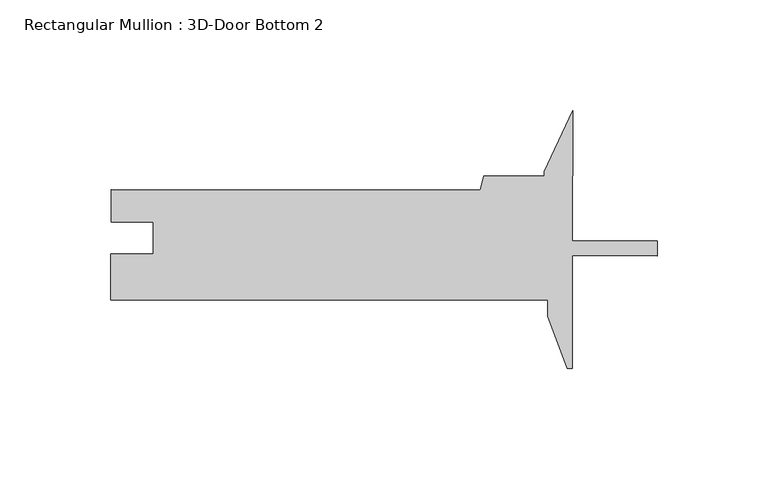
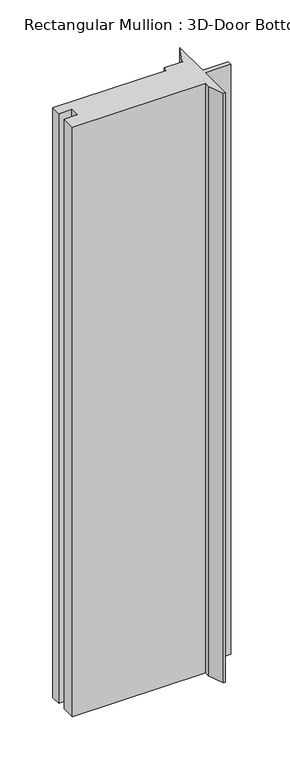
"""IFC4 building model written with IfcOpenShell, lengths in millimetres: member geometry, Rectangular Mullion : 3D-Door Bottom 2."""

import ifcopenshell
import ifcopenshell.guid

model = None  # the IFC model being written
_history = None  # IfcOwnerHistory: only IFC2X3 demands one
_inside = {}  # id of a spatial element -> (the spatial element, [elements in it])
_under = {}  # id of a project, library or spatial element -> (it, [spatial elements below it])
_declared = {}  # id of a project -> (the project, [libraries it declares])
_typed = {}  # id of a type object -> (the type object, [elements of that type])
_made_of = {}  # id of a material, layer set ... -> (it, [elements and type objects made of it])


def new_model(schema):
    """Start an empty IFC model of exactly this schema.

    Asked for "IFC4X3", IfcOpenShell would pick the latest addendum, in which some entities
    have other attributes; the version numbers below select the first issue.
    IFC2X3 requires an IfcOwnerHistory on every rooted entity: one is made here for all.
    """
    global model, _history
    if schema == "IFC4X3":
        model = ifcopenshell.file(schema_version=(4, 3, 0, 0))
    else:
        model = ifcopenshell.file(schema=schema)
    _inside.clear()
    _under.clear()
    _declared.clear()
    _typed.clear()
    _made_of.clear()
    _history = None
    if model.schema == "IFC2X3":
        org = make("IfcOrganization", Name="unknown")
        user = make(
            "IfcPersonAndOrganization",
            ThePerson=make("IfcPerson", FamilyName="unknown"),
            TheOrganization=org,
        )
        app = make(
            "IfcApplication",
            ApplicationDeveloper=org,
            Version="unknown",
            ApplicationFullName="unknown",
            ApplicationIdentifier="unknown",
        )
        _history = make(
            "IfcOwnerHistory",
            OwningUser=user,
            OwningApplication=app,
            ChangeAction="ADDED",
            CreationDate=0,
        )
    return model


def make(cls, **values):
    """One entity of the class cls with the attributes given. An attribute that is None is left unset."""
    return model.create_entity(
        cls, **{name: value for name, value in values.items() if value is not None}
    )


def rooted(cls, **values):
    """An entity with a GlobalId (a new one), such as an element, a storey or a relation."""
    return make(cls, GlobalId=ifcopenshell.guid.new(), OwnerHistory=_history, **values)


def si_unit(unit_type, name, prefix=None):
    """IfcSIUnit, for example si_unit("LENGTHUNIT", "METRE", prefix="MILLI")."""
    return make("IfcSIUnit", UnitType=unit_type, Prefix=prefix, Name=name)


def assignment(units):
    """IfcUnitAssignment: the units of a project."""
    return None if units is None else make("IfcUnitAssignment", Units=units)


def point(xyz):
    """IfcCartesianPoint."""
    return None if xyz is None else make("IfcCartesianPoint", Coordinates=xyz)


def direction(xyz):
    """IfcDirection."""
    return None if xyz is None else make("IfcDirection", DirectionRatios=xyz)


def frame(location, z_axis=None, x_axis=None):
    """IfcAxis2Placement3D, a coordinate frame: its origin and axes. An axis left out is left unset."""
    return make(
        "IfcAxis2Placement3D",
        Location=point(location),
        Axis=direction(z_axis),
        RefDirection=direction(x_axis),
    )


def origin():
    """The frame at (0, 0, 0) with its axes left unset."""
    return frame((0.0, 0.0, 0.0))


def place(relative_to, where):
    """IfcLocalPlacement: puts the frame where relative to a parent placement (None: the world)."""
    return make(
        "IfcLocalPlacement", PlacementRelTo=relative_to, RelativePlacement=where
    )


def context(
    kind, dimensions, precision=None, world=None, true_north=None, identifier=None
):
    """IfcGeometricRepresentationContext, for example the 3D "Model" context."""
    return make(
        "IfcGeometricRepresentationContext",
        ContextIdentifier=identifier,
        ContextType=kind,
        CoordinateSpaceDimension=dimensions,
        Precision=precision,
        WorldCoordinateSystem=world,
        TrueNorth=true_north,
    )


def project(units=None, contexts=None):
    """IfcProject with its units and contexts."""
    return rooted(
        "IfcProject",
        Name="project",
        RepresentationContexts=contexts,
        UnitsInContext=assignment(units),
    )


def spatial(cls, under=None, at=None, **own):
    """A site, building, storey or space (cls), placed at a placement, below another one or the project."""
    s = rooted(cls, ObjectPlacement=at, **own)
    if under is not None:
        _under.setdefault(under.id(), (under, []))[1].append(s)
    return s


def polyline(points):
    """IfcPolyline through the points."""
    return make("IfcPolyline", Points=[point(p) for p in points])


def outline(outer, holes=None, kind="AREA"):
    """IfcArbitraryClosedProfileDef: a profile drawn as a closed curve; with holes, ...WithVoids."""
    if holes is None:
        return make("IfcArbitraryClosedProfileDef", ProfileType=kind, OuterCurve=outer)
    return make(
        "IfcArbitraryProfileDefWithVoids",
        ProfileType=kind,
        OuterCurve=outer,
        InnerCurves=holes,
    )


def extrude(swept, where, along, depth):
    """IfcExtrudedAreaSolid: the profile swept, set in the frame where, extruded along a direction by depth."""
    return make(
        "IfcExtrudedAreaSolid",
        SweptArea=swept,
        Position=where,
        ExtrudedDirection=direction(along),
        Depth=depth,
    )


def shape(context_of_items, identifier, shape_type, items):
    """IfcShapeRepresentation: the items that make up one representation, for example the "Body"."""
    return make(
        "IfcShapeRepresentation",
        ContextOfItems=context_of_items,
        RepresentationIdentifier=identifier,
        RepresentationType=shape_type,
        Items=items,
    )


def source(mapping_origin, context_of_items, identifier, shape_type, items):
    """IfcRepresentationMap: a shape defined once, which mapped items show again and again."""
    return make(
        "IfcRepresentationMap",
        MappingOrigin=mapping_origin,
        MappedRepresentation=shape(context_of_items, identifier, shape_type, items),
    )


def transform(
    local_origin,
    x_axis=None,
    y_axis=None,
    z_axis=None,
    scale=None,
    scale2=None,
    scale3=None,
    uniform=True,
):
    """IfcCartesianTransformationOperator3D, or its non-uniform kind. x_axis, y_axis, z_axis: its Axis1, 2, 3."""
    if uniform:
        return make(
            "IfcCartesianTransformationOperator3D",
            Axis1=direction(x_axis),
            Axis2=direction(y_axis),
            LocalOrigin=point(local_origin),
            Scale=scale,
            Axis3=direction(z_axis),
        )
    return make(
        "IfcCartesianTransformationOperator3DnonUniform",
        Axis1=direction(x_axis),
        Axis2=direction(y_axis),
        LocalOrigin=point(local_origin),
        Scale=scale,
        Axis3=direction(z_axis),
        Scale2=scale2,
        Scale3=scale3,
    )


def mapped(mapping_source, mapping_target):
    """IfcMappedItem: shows the shape of a source again, moved by a transform."""
    return make(
        "IfcMappedItem", MappingSource=mapping_source, MappingTarget=mapping_target
    )


def made_of(thing, what):
    """Note that an element or type object is made of a material, layer set ...; save() writes the relation."""
    if what is not None:
        _made_of.setdefault(what.id(), (what, []))[1].append(thing)
    return thing


def element(
    cls,
    number,
    at=None,
    inside=None,
    cuts=None,
    type_object=None,
    material=None,
    context=None,
    identifier="Body",
    shape_type=None,
    held_by="IfcProductDefinitionShape",
    body=None,
    shapes=None,
    **own,
):
    """One element of the class cls, such as IfcWall. Its Tag is "e" and its number.

    at: its placement. inside: the storey or other place that contains it. cuts: it is an
    opening in that element (IfcRelVoidsElement). A single representation is given by context,
    identifier, shape_type and body (its items); several are given by shapes. held_by: the class
    of the entity that holds the representations. save() writes the other relations.
    """
    e = rooted(cls, Tag="e%d" % number, ObjectPlacement=at, **own)
    if body is not None:
        shapes = [shape(context, identifier, shape_type, body)]
    if shapes is not None:
        e.Representation = make(held_by, Representations=shapes)
    if inside is not None:
        _inside.setdefault(inside.id(), (inside, []))[1].append(e)
    if cuts is not None:
        rooted(
            "IfcRelVoidsElement", RelatingBuildingElement=cuts, RelatedOpeningElement=e
        )
    if type_object is not None:
        _typed.setdefault(type_object.id(), (type_object, []))[1].append(e)
    return made_of(e, material)


def aggregate(whole, parts):
    """IfcRelAggregates: a whole, such as a stair, and the parts it consists of."""
    return rooted("IfcRelAggregates", RelatingObject=whole, RelatedObjects=parts)


def save(model, path):
    """Write the relations noted so far, then the file.

    IfcRelAggregates (storeys below a building ...), IfcRelContainedInSpatialStructure (elements
    in a storey), IfcRelDefinesByType, IfcRelAssociatesMaterial and IfcRelDeclares: one each for
    every whole, place, type object, material and project.
    """
    for whole, parts in _under.values():
        aggregate(whole, parts)
    for where, things in _inside.values():
        rooted(
            "IfcRelContainedInSpatialStructure",
            RelatedElements=things,
            RelatingStructure=where,
        )
    for kind, things in _typed.values():
        rooted("IfcRelDefinesByType", RelatedObjects=things, RelatingType=kind)
    for what, things in _made_of.values():
        rooted("IfcRelAssociatesMaterial", RelatedObjects=things, RelatingMaterial=what)
    for by, libraries in _declared.values():
        rooted("IfcRelDeclares", RelatingContext=by, RelatedDefinitions=libraries)
    model.write(path)


def rectangular_mullion_3d_door_bottom_2_a532eeb2(model_context):
    return source(origin(), model_context, "Body", "SweptSolid", [
        extrude(outline(polyline([(-40.531847, -27.1958204), (-49.2425364, -3.7725391), (-49.2361672, 3.4823332), (-246.0873613, 3.6551545), (-246.0690345, 24.5301476), (-227.0444431, 24.5134454), (-227.0318741, 38.8301387), (-246.0564668, 38.846841), (-246.0436558, 53.4391354), (-79.7207086, 53.2931156), (-78.013657, 59.6416194), (-50.7743849, 59.6177052), (-50.7725452, 61.7132044), (-38.0485354, 89.0558903), (-38.0999853, 30.4521293), (0.0, 30.4186802), (-0.0059093, 23.6876828), (-38.107121, 23.7211329), (-38.1518244, -27.1979099), (-40.531847, -27.1958204)])), frame((0.0, 0.0, -921.8239883), z_axis=(0.0, 0.0, 1.0), x_axis=(1.0, 0.0, 0.0)), (0.0, 0.0, 1.0), 921.8239883),
    ])


if __name__ == "__main__":
    model = new_model("IFC4")
    model_context = context("Model", 3, world=origin())
    ifc_project = project(units=[si_unit("LENGTHUNIT", "METRE", prefix="MILLI")], contexts=[model_context])
    site = spatial("IfcSite", under=ifc_project)
    building = spatial("IfcBuilding", under=site)
    placement = place(None, origin())
    rectangular_mullion_3d_door_bottom_2_shape = rectangular_mullion_3d_door_bottom_2_a532eeb2(model_context)
    element("IfcMember", 1, ObjectType="Rectangular Mullion : 3D-Door Bottom 2", at=placement, inside=building, context=model_context, shape_type="MappedRepresentation", body=[
        mapped(rectangular_mullion_3d_door_bottom_2_shape, transform((0.0, 0.0, 0.0), x_axis=(1.0, 0.0, 0.0), y_axis=(0.0, 1.0, 0.0), z_axis=(0.0, 0.0, 1.0))),
    ])
    save(model, "model.ifc")
